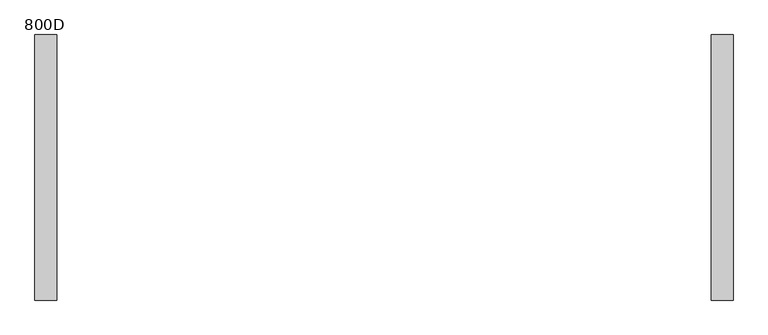
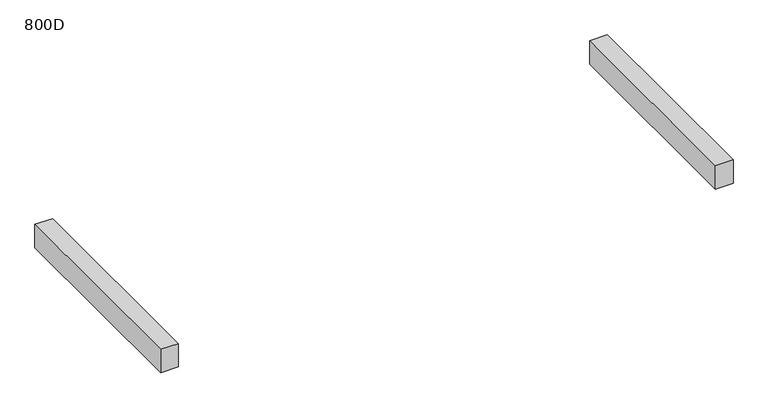
"""IFC4 building model written with IfcOpenShell, lengths in millimetres: furniture geometry, 800D."""

from ifc_helpers import new_model, si_unit, frame, origin, place, context, project, spatial, polyline, outline, extrude, source, transform, mapped, element, save


def furniture_800d_2ded44a6(model_context):
    return source(origin(), model_context, "Body", "SweptSolid", [
        extrude(outline(polyline([(-909.9999968, 369.0), (-909.9999968, -369.0), (-970.0, -369.0), (-970.0, 369.0), (-909.9999968, 369.0)])), frame((0.0, 0.0, 435.0), z_axis=(0.0, 0.0, 1.0), x_axis=(1.0, 0.0, 0.0)), (0.0, 0.0, 1.0), 84.0),
        extrude(outline(polyline([(970.0, 369.0), (970.0, -369.0), (909.9999968, -369.0), (909.9999968, 369.0), (970.0, 369.0)])), frame((0.0, 0.0, 435.0), z_axis=(0.0, 0.0, 1.0), x_axis=(1.0, 0.0, 0.0)), (0.0, 0.0, 1.0), 84.0),
    ])


if __name__ == "__main__":
    model = new_model("IFC4")
    model_context = context("Model", 3, world=origin())
    ifc_project = project(units=[si_unit("LENGTHUNIT", "METRE", prefix="MILLI")], contexts=[model_context])
    site = spatial("IfcSite", under=ifc_project)
    building = spatial("IfcBuilding", under=site)
    placement = place(None, origin())
    furniture_800d_shape = furniture_800d_2ded44a6(model_context)
    element("IfcFurniture", 1, ObjectType="800D", at=placement, inside=building, context=model_context, shape_type="MappedRepresentation", body=[
        mapped(furniture_800d_shape, transform((0.0, 0.0, 0.0), x_axis=(1.0, 0.0, 0.0), y_axis=(0.0, 1.0, 0.0), z_axis=(0.0, 0.0, 1.0))),
    ])
    save(model, "model.ifc")
